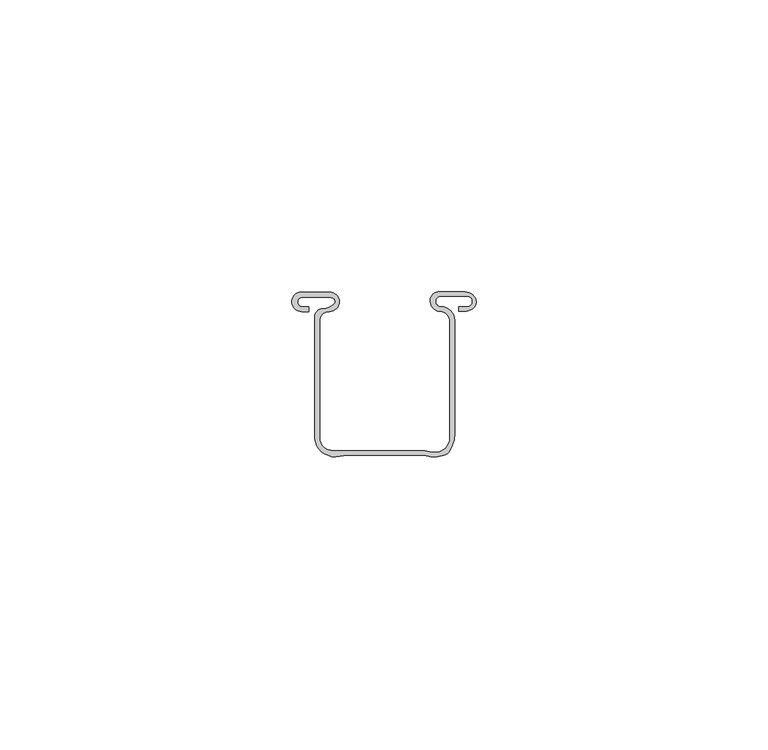
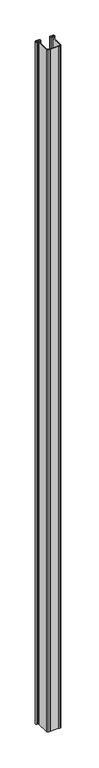
"""IFC4 building model written with IfcOpenShell, lengths in millimetres: proxy geometry."""

from ifc_helpers import new_model, si_unit, frame, origin, place, context, project, spatial, polyline, circle_curve, source, transform, mapped, element, save
from ifc_brep_helpers import plane_surface, cylinder_surface, revolved_surface, advanced_brep


def generic_models_51c696ba(model_context):
    return source(origin(), model_context, "Body", "AdvancedBrep", [
        advanced_brep(
        [(-34.2154576, 24.6591098, 1200.0), (-32.9596842, 24.6591098, 1200.0), (-32.9596842, 25.5074259, 1200.0), (-34.3337717, 25.5074259, 1200.0), (-34.0750517, 27.0884922, 1200.0), (-29.8460569, 27.0884922, 1200.0), (-28.8111772, 26.9447589, 1200.0), (-28.6047269, 26.0017225, 1200.0), (-30.5412727, 25.1670708, 1200.0), (-31.94828, 23.7600635, 1200.0), (-31.94828, 2.8794148, 1200.0), (-30.2999777, 0.3, 1200.0), (-27.6632331, -0.1288019, 1200.0), (-26.5426458, 0.0, 1200.0), (-13.2147458, 0.0, 1200.0), (-9.8882183, 0.0, 1200.0), (-8.8079768, 0.85, 1200.0), (-8.0002288, 3.7221981, 1200.0), (-8.0002288, 23.1641825, 1200.0), (-10.3256797, 25.4896334, 1200.0), (-10.3256797, 27.2894243, 1200.0), (-5.8420423, 27.2894243, 1200.0), (-5.8420423, 25.4896334, 1200.0), (-7.2932561, 25.4896334, 1200.0), (-7.2932561, 24.6908707, 1200.0), (-6.0277996, 24.6908707, 1200.0), (-4.6310914, 25.4403864, 1200.0), (-4.5927832, 27.2336569, 1200.0), (-6.247776, 28.0430633, 1200.0), (-10.5144755, 28.0430633, 1200.0), (-12.1906634, 26.3518151, 1200.0), (-10.4847802, 24.6905238, 1200.0), (-8.8079768, 22.8705255, 1200.0), (-8.8079768, 3.0560401, 1200.0), (-11.8147953, 0.5905256, 1200.0), (-13.0679793, 0.85, 1200.0), (-26.7197678, 0.85, 1200.0), (-28.7713465, 0.85, 1200.0), (-31.1290539, 3.0560401, 1200.0), (-31.1290539, 15.0825513, 1200.0), (-31.1286513, 22.9825592, 1200.0), (-29.4522506, 24.6588738, 1200.0), (-29.4225553, 28.0114133, 1200.0), (-34.2293916, 28.0120206, 1200.0), (-34.2154576, 24.6591098, 0.0), (-34.2293916, 28.0120206, 0.0), (-29.4130009, 28.0120206, 0.0), (-29.4522506, 24.6588738, 0.0), (-31.1286513, 22.9825592, 0.0), (-31.1290539, 15.0825513, 0.0), (-31.1290539, 3.0560401, 0.0), (-28.7713465, 0.85, 0.0), (-26.7197678, 0.85, 0.0), (-13.0679793, 0.85, 0.0), (-11.8147953, 0.5905256, 0.0), (-8.8079768, 3.0560401, 0.0), (-8.8079768, 22.8705255, 0.0), (-10.4847802, 24.6905238, 0.0), (-12.1906634, 26.3518151, 0.0), (-10.5144755, 28.0430633, 0.0), (-6.247776, 28.0430633, 0.0), (-4.5927832, 27.2336569, 0.0), (-4.6310914, 25.4403864, 0.0), (-6.0277996, 24.6908707, 0.0), (-7.2932561, 24.6908707, 0.0), (-7.2932561, 25.4896334, 0.0), (-5.8420423, 25.4896334, 0.0), (-5.8420423, 27.2894243, 0.0), (-10.3256797, 27.2894243, 0.0), (-10.3256797, 25.4896334, 0.0), (-8.0002288, 23.1641825, 0.0), (-8.0002288, 3.7221981, 0.0), (-8.8079768, 0.85, 0.0), (-9.8882183, 0.0, 0.0), (-13.2147458, 0.0, 0.0), (-26.5426458, 0.0, 0.0), (-27.6632331, -0.1288019, 0.0), (-30.2999777, 0.3, 0.0), (-31.94828, 2.8794148, 0.0), (-31.94828, 23.7600635, 0.0), (-30.5412727, 25.1670708, 0.0), (-28.6047269, 26.0017225, 0.0), (-28.8111772, 26.9447589, 0.0), (-29.8460569, 27.0884922, 0.0), (-34.0750517, 27.0884922, 0.0), (-34.3337717, 25.5074259, 0.0), (-32.9596842, 25.5074259, 0.0), (-32.9596842, 24.6591098, 0.0)],
        [
            (0, 1),
            (1, 2),
            (2, 3),
            (3, 4, circle_curve(frame((-34.0750517, 26.276791, 1200.0), z_axis=(0.0, 0.0, -1.0), x_axis=(1.0, 0.0, 0.0)), 0.8117011)),
            (4, 5),
            (5, 6, circle_curve(frame((-29.6162577, 24.945613, 1200.0), z_axis=(0.0, 0.0, -1.0), x_axis=(1.0, 0.0, 0.0)), 2.1551656)),
            (6, 7, circle_curve(frame((-29.0294032, 26.4028683, 1200.0), z_axis=(0.0, 0.0, -1.0), x_axis=(1.0, 0.0, 0.0)), 0.5841814)),
            (7, 8, circle_curve(frame((-30.5412727, 27.8309684, 1200.0), z_axis=(0.0, 0.0, -1.0), x_axis=(1.0, 0.0, 0.0)), 2.6638976)),
            (8, 9, circle_curve(frame((-30.5412727, 23.7600635, 1200.0), z_axis=(0.0, 0.0, 1.0), x_axis=(1.0, 0.0, 0.0)), 1.4070073)),
            (9, 10),
            (10, 11, circle_curve(frame((-28.4601556, 3.2920443, 1200.0), z_axis=(0.0, 0.0, 1.0), x_axis=(1.0, 0.0, 0.0)), 3.5124457)),
            (11, 12, circle_curve(frame((-28.4601556, 3.2920443, 1200.0), z_axis=(0.0, 0.0, 1.0), x_axis=(1.0, 0.0, 0.0)), 3.5124457)),
            (12, 13, circle_curve(frame((-26.5426458, -4.9390017, 1200.0), z_axis=(0.0, 0.0, -1.0), x_axis=(1.0, 0.0, 0.0)), 4.9390017)),
            (13, 14),
            (14, 15, circle_curve(frame((-11.5514821, 5.1771054, 1200.0), z_axis=(0.0, 0.0, 1.0), x_axis=(1.0, 0.0, 0.0)), 5.4377262)),
            (15, 16, circle_curve(frame((-10.4916807, 1.8783482, 1200.0), z_axis=(0.0, 0.0, 1.0), x_axis=(1.0, 0.0, 0.0)), 1.9729062)),
            (16, 17, circle_curve(frame((-13.5105972, 3.7221981, 1200.0), z_axis=(0.0, 0.0, 1.0), x_axis=(1.0, 0.0, 0.0)), 5.5103684)),
            (17, 18),
            (18, 19, circle_curve(frame((-10.3256797, 23.1641825, 1200.0), z_axis=(0.0, 0.0, 1.0), x_axis=(1.0, 0.0, 0.0)), 2.325451)),
            (19, 20, circle_curve(frame((-10.3256797, 26.3895289, 1200.0), z_axis=(0.0, 0.0, -1.0), x_axis=(1.0, 0.0, 0.0)), 0.8998954)),
            (20, 21),
            (21, 22, circle_curve(frame((-5.8420423, 26.3895289, 1200.0), z_axis=(0.0, 0.0, -1.0), x_axis=(1.0, 0.0, 0.0)), 0.8998954)),
            (22, 23),
            (23, 24),
            (24, 25),
            (25, 26, circle_curve(frame((-6.2829319, 26.8424322, 1200.0), z_axis=(0.0, 0.0, 1.0), x_axis=(1.0, 0.0, 0.0)), 2.1666355)),
            (26, 27, circle_curve(frame((-5.7152433, 26.3605907, 1200.0), z_axis=(0.0, 0.0, 1.0), x_axis=(1.0, 0.0, 0.0)), 1.4220272)),
            (27, 28, circle_curve(frame((-6.247776, 25.9463788, 1200.0), z_axis=(0.0, 0.0, 1.0), x_axis=(1.0, 0.0, 0.0)), 2.0966845)),
            (28, 29),
            (29, 30, circle_curve(frame((-10.6666021, 26.5175803, 1200.0), z_axis=(0.0, 0.0, 1.0), x_axis=(1.0, 0.0, 0.0)), 1.5330496)),
            (30, 31, circle_curve(frame((-10.3319054, 26.5539837, 1200.0), z_axis=(0.0, 0.0, 1.0), x_axis=(1.0, 0.0, 0.0)), 1.8697201)),
            (31, 32, circle_curve(frame((-10.6340894, 22.8705255, 1200.0), z_axis=(0.0, 0.0, -1.0), x_axis=(1.0, 0.0, 0.0)), 1.8261125)),
            (32, 33),
            (33, 34, circle_curve(frame((-11.307916, 3.038601, 1200.0), z_axis=(0.0, 0.0, -1.0), x_axis=(1.0, 0.0, 0.0)), 2.5)),
            (34, 35),
            (35, 36),
            (36, 37, circle_curve(frame((-27.7455572, -14.5662271, 1200.0), z_axis=(0.0, 0.0, 1.0), x_axis=(1.0, 0.0, 0.0)), 15.4503172)),
            (37, 38, circle_curve(frame((-28.9181355, 3.0560401, 1200.0), z_axis=(0.0, 0.0, -1.0), x_axis=(1.0, 0.0, 0.0)), 2.2109184)),
            (38, 39),
            (39, 40, circle_curve(frame((-459.156208, 19.0543688, 1200.0), z_axis=(0.0, 0.0, 1.0), x_axis=(1.0, 0.0, 0.0)), 428.0455816)),
            (40, 41, circle_curve(frame((-29.4675803, 22.9978035, 1200.0), z_axis=(0.0, 0.0, -1.0), x_axis=(1.0, 0.0, 0.0)), 1.6611409)),
            (41, 42, circle_curve(frame((-29.4367806, 26.335138, 1200.0), z_axis=(0.0, 0.0, 1.0), x_axis=(1.0, 0.0, 0.0)), 1.6763356)),
            (42, 43),
            (43, 0, circle_curve(frame((-34.2154576, 26.3355942, 1200.0), z_axis=(0.0, 0.0, 1.0), x_axis=(1.0, 0.0, 0.0)), 1.6764844)),
            (44, 45, circle_curve(frame((-34.2154576, 26.3355942, 0.0), z_axis=(0.0, 0.0, -1.0), x_axis=(1.0, 0.0, 0.0)), 1.6764844)),
            (45, 46),
            (46, 47, circle_curve(frame((-29.4367806, 26.335138, 0.0), z_axis=(0.0, 0.0, -1.0), x_axis=(1.0, 0.0, 0.0)), 1.6763356)),
            (47, 48, circle_curve(frame((-29.4675803, 22.9978035, 0.0), z_axis=(0.0, 0.0, 1.0), x_axis=(1.0, 0.0, 0.0)), 1.6611409)),
            (48, 49, circle_curve(frame((-459.156208, 19.0543688, 0.0), z_axis=(0.0, 0.0, -1.0), x_axis=(1.0, 0.0, 0.0)), 428.0455816)),
            (49, 50),
            (50, 51, circle_curve(frame((-28.9181355, 3.0560401, 0.0), z_axis=(0.0, 0.0, 1.0), x_axis=(1.0, 0.0, 0.0)), 2.2109184)),
            (51, 52, circle_curve(frame((-27.7455572, -14.5662271, 0.0), z_axis=(0.0, 0.0, -1.0), x_axis=(1.0, 0.0, 0.0)), 15.4503172)),
            (52, 53),
            (53, 54),
            (54, 55, circle_curve(frame((-11.307916, 3.038601, 0.0), z_axis=(0.0, 0.0, 1.0), x_axis=(1.0, 0.0, 0.0)), 2.5)),
            (55, 56),
            (56, 57, circle_curve(frame((-10.6340894, 22.8705255, 0.0), z_axis=(0.0, 0.0, 1.0), x_axis=(1.0, 0.0, 0.0)), 1.8261125)),
            (57, 58, circle_curve(frame((-10.3319054, 26.5539837, 0.0), z_axis=(0.0, 0.0, -1.0), x_axis=(1.0, 0.0, 0.0)), 1.8697201)),
            (58, 59, circle_curve(frame((-10.6666021, 26.5175803, 0.0), z_axis=(0.0, 0.0, -1.0), x_axis=(1.0, 0.0, 0.0)), 1.5330496)),
            (59, 60),
            (60, 61, circle_curve(frame((-6.247776, 25.9463788, 0.0), z_axis=(0.0, 0.0, -1.0), x_axis=(1.0, 0.0, 0.0)), 2.0966845)),
            (61, 62, circle_curve(frame((-5.7152433, 26.3605907, 0.0), z_axis=(0.0, 0.0, -1.0), x_axis=(1.0, 0.0, 0.0)), 1.4220272)),
            (62, 63, circle_curve(frame((-6.2829319, 26.8424322, 0.0), z_axis=(0.0, 0.0, -1.0), x_axis=(1.0, 0.0, 0.0)), 2.1666355)),
            (63, 64),
            (64, 65),
            (65, 66),
            (66, 67, circle_curve(frame((-5.8420423, 26.3895289, 0.0), z_axis=(0.0, 0.0, 1.0), x_axis=(1.0, 0.0, 0.0)), 0.8998954)),
            (67, 68),
            (68, 69, circle_curve(frame((-10.3256797, 26.3895289, 0.0), z_axis=(0.0, 0.0, 1.0), x_axis=(1.0, 0.0, 0.0)), 0.8998954)),
            (69, 70, circle_curve(frame((-10.3256797, 23.1641825, 0.0), z_axis=(0.0, 0.0, -1.0), x_axis=(1.0, 0.0, 0.0)), 2.325451)),
            (70, 71),
            (71, 72, circle_curve(frame((-13.5105972, 3.7221981, 0.0), z_axis=(0.0, 0.0, -1.0), x_axis=(1.0, 0.0, 0.0)), 5.5103684)),
            (72, 73, circle_curve(frame((-10.4916807, 1.8783482, 0.0), z_axis=(0.0, 0.0, -1.0), x_axis=(1.0, 0.0, 0.0)), 1.9729062)),
            (73, 74, circle_curve(frame((-11.5514821, 5.1771054, 0.0), z_axis=(0.0, 0.0, -1.0), x_axis=(1.0, 0.0, 0.0)), 5.4377262)),
            (74, 75),
            (75, 76, circle_curve(frame((-26.5426458, -4.9390017, 0.0), z_axis=(0.0, 0.0, 1.0), x_axis=(1.0, 0.0, 0.0)), 4.9390017)),
            (76, 77, circle_curve(frame((-28.4601556, 3.2920443, 0.0), z_axis=(0.0, 0.0, -1.0), x_axis=(1.0, 0.0, 0.0)), 3.5124457)),
            (77, 78, circle_curve(frame((-28.4601556, 3.2920443, 0.0), z_axis=(0.0, 0.0, -1.0), x_axis=(1.0, 0.0, 0.0)), 3.5124457)),
            (78, 79),
            (79, 80, circle_curve(frame((-30.5412727, 23.7600635, 0.0), z_axis=(0.0, 0.0, -1.0), x_axis=(1.0, 0.0, 0.0)), 1.4070073)),
            (80, 81, circle_curve(frame((-30.5412727, 27.8309684, 0.0), z_axis=(0.0, 0.0, 1.0), x_axis=(1.0, 0.0, 0.0)), 2.6638976)),
            (81, 82, circle_curve(frame((-29.0294032, 26.4028683, 0.0), z_axis=(0.0, 0.0, 1.0), x_axis=(1.0, 0.0, 0.0)), 0.5841814)),
            (82, 83, circle_curve(frame((-29.6162577, 24.945613, 0.0), z_axis=(0.0, 0.0, 1.0), x_axis=(1.0, 0.0, 0.0)), 2.1551656)),
            (83, 84),
            (84, 85, circle_curve(frame((-34.0750517, 26.276791, 0.0), z_axis=(0.0, 0.0, 1.0), x_axis=(1.0, 0.0, 0.0)), 0.8117011)),
            (85, 86),
            (86, 87),
            (87, 44),
            (0, 44),
            (87, 1),
            (86, 2),
            (85, 3),
            (84, 4),
            (5, 83),
            (82, 6),
            (81, 7),
            (80, 8),
            (79, 9),
            (78, 10),
            (77, 11),
            (76, 12),
            (75, 13),
            (74, 14),
            (73, 15),
            (72, 16),
            (71, 17),
            (70, 18),
            (69, 19),
            (68, 20),
            (67, 21),
            (66, 22),
            (65, 23),
            (64, 24),
            (63, 25),
            (62, 26),
            (61, 27),
            (60, 28),
            (59, 29),
            (58, 30),
            (57, 31),
            (56, 32),
            (55, 33),
            (54, 34),
            (53, 35),
            (39, 49),
            (48, 40),
            (47, 41),
            (46, 42),
            (43, 45),
            (36, 52),
            (51, 37),
            (50, 38),
        ],
        [
            plane_surface(frame((-32.9596842, 24.6591098, 1200.0), z_axis=(0.0, 0.0, 1.0), x_axis=(1.0, 0.0, 0.0))),
            plane_surface(frame((-32.9596842, 24.6591098, 0.0), z_axis=(0.0, 0.0, -1.0), x_axis=(-1.0, 0.0, 0.0))),
            plane_surface(frame((-34.2154576, 24.6591098, 1200.0), z_axis=(0.0, -1.0, 0.0), x_axis=(0.0, 0.0, -1.0))),
            plane_surface(frame((-32.9596842, 24.6591098, 1200.0), z_axis=(1.0, 0.0, 0.0), x_axis=(0.0, 0.0, -1.0))),
            plane_surface(frame((-32.9596842, 25.5074259, 1200.0), z_axis=(0.0, 1.0, 0.0), x_axis=(0.0, 0.0, -1.0))),
            revolved_surface(polyline([(-33.2633506, 26.276791, 0.0), (-33.2633506, 26.276791, 1200.0)]), (-34.0750517, 26.276791, 0.0), (0.0, 0.0, -1.0)),
            revolved_surface(polyline([(-27.4610921, 24.945613, 0.0), (-27.4610921, 24.945613, 1200.0)]), (-29.6162577, 24.945613, 0.0), (0.0, 0.0, -1.0)),
            revolved_surface(polyline([(-28.445221800000002, 26.4028683, 0.0), (-28.445221800000002, 26.4028683, 1200.0)]), (-29.0294032, 26.4028683, 0.0), (0.0, 0.0, -1.0)),
            revolved_surface(polyline([(-27.877375100000002, 27.8309684, 0.0), (-27.877375100000002, 27.8309684, 1200.0)]), (-30.5412727, 27.8309684, 0.0), (0.0, 0.0, -1.0)),
            cylinder_surface(frame((-30.5412727, 23.7600635, 0.0), z_axis=(0.0, 0.0, 1.0), x_axis=(1.0, 0.0, 0.0)), 1.4070073),
            plane_surface(frame((-31.94828, 23.7600635, 1200.0), z_axis=(-1.0, 0.0, 0.0), x_axis=(0.0, 0.0, -1.0))),
            cylinder_surface(frame((-28.4601556, 3.2920443, 0.0), z_axis=(0.0, 0.0, 1.0), x_axis=(1.0, 0.0, 0.0)), 3.5124457),
            revolved_surface(polyline([(-21.603644099999997, -4.9390017, 0.0), (-21.603644099999997, -4.9390017, 1200.0)]), (-26.5426458, -4.9390017, 0.0), (0.0, 0.0, -1.0)),
            plane_surface(frame((-26.5426458, 0.0, 1200.0), z_axis=(0.0, -1.0, 0.0), x_axis=(0.0, 0.0, -1.0))),
            cylinder_surface(frame((-11.5514821, 5.1771054, 0.0), z_axis=(0.0, 0.0, 1.0), x_axis=(1.0, 0.0, 0.0)), 5.4377262),
            cylinder_surface(frame((-10.4916807, 1.8783482, 0.0), z_axis=(0.0, 0.0, 1.0), x_axis=(1.0, 0.0, 0.0)), 1.9729062),
            cylinder_surface(frame((-13.5105972, 3.7221981, 0.0), z_axis=(0.0, 0.0, 1.0), x_axis=(1.0, 0.0, 0.0)), 5.5103684),
            plane_surface(frame((-8.0002288, 3.7221981, 1200.0), z_axis=(1.0, 0.0, 0.0), x_axis=(0.0, 0.0, -1.0))),
            cylinder_surface(frame((-10.3256797, 23.1641825, 0.0), z_axis=(0.0, 0.0, 1.0), x_axis=(1.0, 0.0, 0.0)), 2.325451),
            revolved_surface(polyline([(-9.4257843, 26.3895289, 0.0), (-9.4257843, 26.3895289, 1200.0)]), (-10.3256797, 26.3895289, 0.0), (0.0, 0.0, -1.0)),
            plane_surface(frame((-10.3256797, 27.2894243, 1200.0), z_axis=(0.0, -1.0, 0.0), x_axis=(0.0, 0.0, -1.0))),
            revolved_surface(polyline([(-4.9421469, 26.3895289, 0.0), (-4.9421469, 26.3895289, 1200.0)]), (-5.8420423, 26.3895289, 0.0), (0.0, 0.0, -1.0)),
            plane_surface(frame((-5.8420423, 25.4896334, 1200.0), z_axis=(0.0, 1.0, 0.0), x_axis=(0.0, 0.0, -1.0))),
            plane_surface(frame((-7.2932561, 25.4896334, 1200.0), z_axis=(-1.0, 0.0, 0.0), x_axis=(0.0, 0.0, -1.0))),
            plane_surface(frame((-7.2932561, 24.6908707, 1200.0), z_axis=(0.0, -1.0, 0.0), x_axis=(0.0, 0.0, -1.0))),
            cylinder_surface(frame((-6.2829319, 26.8424322, 0.0), z_axis=(0.0, 0.0, 1.0), x_axis=(1.0, 0.0, 0.0)), 2.1666355),
            cylinder_surface(frame((-5.7152433, 26.3605907, 0.0), z_axis=(0.0, 0.0, 1.0), x_axis=(1.0, 0.0, 0.0)), 1.4220272),
            cylinder_surface(frame((-6.247776, 25.9463788, 0.0), z_axis=(0.0, 0.0, 1.0), x_axis=(1.0, 0.0, 0.0)), 2.0966845),
            plane_surface(frame((-6.247776, 28.0430633, 1200.0), z_axis=(0.0, 1.0, 0.0), x_axis=(0.0, 0.0, -1.0))),
            cylinder_surface(frame((-10.6666021, 26.5175803, 0.0), z_axis=(0.0, 0.0, 1.0), x_axis=(1.0, 0.0, 0.0)), 1.5330496),
            cylinder_surface(frame((-10.3319054, 26.5539837, 0.0), z_axis=(0.0, 0.0, 1.0), x_axis=(1.0, 0.0, 0.0)), 1.8697201),
            revolved_surface(polyline([(-8.8079769, 22.8705255, 0.0), (-8.8079769, 22.8705255, 1200.0)]), (-10.6340894, 22.8705255, 0.0), (0.0, 0.0, -1.0)),
            plane_surface(frame((-8.8079768, 22.8705255, 1200.0), z_axis=(-1.0, 0.0, 0.0), x_axis=(0.0, 0.0, -1.0))),
            revolved_surface(polyline([(-8.807916, 3.038601, 0.0), (-8.807916, 3.038601, 1200.0)]), (-11.307916, 3.038601, 0.0), (0.0, 0.0, -1.0)),
            plane_surface(frame((-11.8147953, 0.5905256, 1200.0), z_axis=(0.20275171483563173, 0.979230178319281, 0.0), x_axis=(0.0, 0.0, -1.0))),
            cylinder_surface(frame((-459.156208, 19.0543688, 0.0), z_axis=(0.0, 0.0, 1.0), x_axis=(1.0, 0.0, 0.0)), 428.0455816),
            revolved_surface(polyline([(-27.806439400000002, 22.9978035, 0.0), (-27.806439400000002, 22.9978035, 1200.0)]), (-29.4675803, 22.9978035, 0.0), (0.0, 0.0, -1.0)),
            cylinder_surface(frame((-29.4367806, 26.335138, 0.0), z_axis=(0.0, 0.0, 1.0), x_axis=(1.0, 0.0, 0.0)), 1.6763356),
            cylinder_surface(frame((-34.2154576, 26.3355942, 0.0), z_axis=(0.0, 0.0, 1.0), x_axis=(1.0, 0.0, 0.0)), 1.6764844),
            cylinder_surface(frame((-27.7455572, -14.5662271, 0.0), z_axis=(0.0, 0.0, 1.0), x_axis=(1.0, 0.0, 0.0)), 15.4503172),
            revolved_surface(polyline([(-26.7072171, 3.0560401, 0.0), (-26.7072171, 3.0560401, 1200.0)]), (-28.9181355, 3.0560401, 0.0), (0.0, 0.0, -1.0)),
            plane_surface(frame((-31.1290539, 3.0560401, 1200.0), z_axis=(1.0, 0.0, 0.0), x_axis=(0.0, 0.0, -1.0))),
            plane_surface(frame((-34.0750517, 27.0884922, 1200.0), z_axis=(0.0, -1.0, 0.0), x_axis=(0.0, 0.0, -1.0))),
            plane_surface(frame((-13.0679793, 0.85, 1200.0), z_axis=(0.0, 1.0, 0.0), x_axis=(0.0, 0.0, -1.0))),
            plane_surface(frame((-29.4130009, 28.0120206, 1200.0), z_axis=(0.0, 1.0, 0.0), x_axis=(0.0, 0.0, -1.0))),
        ],
        [
            (0, [[1, 2, 3, 4, 5, 6, 7, 8, 9, 10, 11, 12, 13, 14, 15, 16, 17, 18, 19, 20, 21, 22, 23, 24, 25, 26, 27, 28, 29, 30, 31, 32, 33, 34, 35, 36, 37, 38, 39, 40, 41, 42, 43, 44]]),
            (1, [[45, 46, 47, 48, 49, 50, 51, 52, 53, 54, 55, 56, 57, 58, 59, 60, 61, 62, 63, 64, 65, 66, 67, 68, 69, 70, 71, 72, 73, 74, 75, 76, 77, 78, 79, 80, 81, 82, 83, 84, 85, 86, 87, 88]]),
            (2, [[-1, 89, -88, 90]]),
            (3, [[-2, -90, -87, 91]]),
            (4, [[-3, -91, -86, 92]]),
            (5, [[-4, -92, -85, 93]]),
            (6, [[-6, 94, -83, 95]]),
            (7, [[-7, -95, -82, 96]]),
            (8, [[-8, -96, -81, 97]]),
            (9, [[-9, -97, -80, 98]]),
            (10, [[-10, -98, -79, 99]]),
            (11, [[-11, -99, -78, 100]]),
            (11, [[-12, -100, -77, 101]]),
            (12, [[-13, -101, -76, 102]]),
            (13, [[-14, -102, -75, 103]]),
            (14, [[-15, -103, -74, 104]]),
            (15, [[-16, -104, -73, 105]]),
            (16, [[-17, -105, -72, 106]]),
            (17, [[-18, -106, -71, 107]]),
            (18, [[-19, -107, -70, 108]]),
            (19, [[-20, -108, -69, 109]]),
            (20, [[-21, -109, -68, 110]]),
            (21, [[-22, -110, -67, 111]]),
            (22, [[-23, -111, -66, 112]]),
            (23, [[-24, -112, -65, 113]]),
            (24, [[-25, -113, -64, 114]]),
            (25, [[-26, -114, -63, 115]]),
            (26, [[-27, -115, -62, 116]]),
            (27, [[-28, -116, -61, 117]]),
            (28, [[-29, -117, -60, 118]]),
            (29, [[-30, -118, -59, 119]]),
            (30, [[-31, -119, -58, 120]]),
            (31, [[-32, -120, -57, 121]]),
            (32, [[-33, -121, -56, 122]]),
            (33, [[-34, -122, -55, 123]]),
            (34, [[-35, -123, -54, 124]]),
            (35, [[-40, 125, -49, 126]]),
            (36, [[-41, -126, -48, 127]]),
            (37, [[-42, -127, -47, 128]]),
            (38, [[-44, 129, -45, -89]]),
            (39, [[-37, 130, -52, 131]]),
            (40, [[-38, -131, -51, 132]]),
            (41, [[-39, -132, -50, -125]]),
            (42, [[-5, -93, -84, -94]]),
            (43, [[-36, -124, -53, -130]]),
            (44, [[-43, -128, -46, -129]]),
        ],
    ),
    ])


if __name__ == "__main__":
    model = new_model("IFC4")
    model_context = context("Model", 3, world=origin())
    ifc_project = project(units=[si_unit("LENGTHUNIT", "METRE", prefix="MILLI")], contexts=[model_context])
    site = spatial("IfcSite", under=ifc_project)
    building = spatial("IfcBuilding", under=site)
    placement = place(None, origin())
    generic_models_shape = generic_models_51c696ba(model_context)
    element("IfcBuildingElementProxy", 1, Name="Generic Models", at=placement, inside=building, context=model_context, shape_type="MappedRepresentation", body=[
        mapped(generic_models_shape, transform((0.0, 0.0, 0.0), x_axis=(1.0, 0.0, 0.0), y_axis=(0.0, 1.0, 0.0), z_axis=(0.0, 0.0, 1.0))),
    ])
    save(model, "model.ifc")
